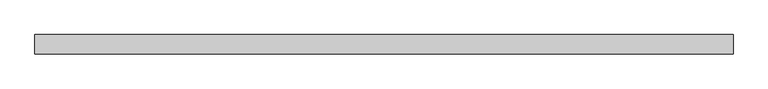
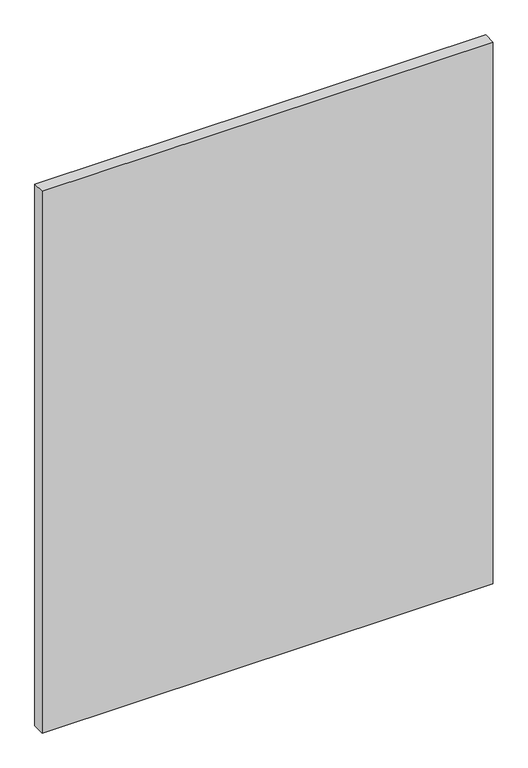
"""IFC4 building model written with IfcOpenShell, lengths in millimetres: plate geometry."""

from ifc_helpers import new_model, si_unit, origin, origin_with_axes, place, context, project, spatial, polyline, outline, extrude, source, transform, mapped, element, save


def plate_07b93995(model_context):
    return source(origin(), model_context, "Body", "SweptSolid", [
        extrude(outline(polyline([(693.9564453, -19.05), (-693.9564453, -19.05), (-693.9564453, 19.05), (693.9564453, 19.05), (693.9564453, -19.05)])), origin_with_axes(), (0.0, 0.0, 1.0), 1761.3),
    ])


if __name__ == "__main__":
    model = new_model("IFC4")
    model_context = context("Model", 3, world=origin())
    ifc_project = project(units=[si_unit("LENGTHUNIT", "METRE", prefix="MILLI")], contexts=[model_context])
    site = spatial("IfcSite", under=ifc_project)
    building = spatial("IfcBuilding", under=site)
    placement = place(None, origin())
    plate_shape = plate_07b93995(model_context)
    element("IfcPlate", 1, at=placement, inside=building, context=model_context, shape_type="MappedRepresentation", body=[
        mapped(plate_shape, transform((0.0, 0.0, 0.0), x_axis=(1.0, 0.0, 0.0), y_axis=(0.0, 1.0, 0.0), z_axis=(0.0, 0.0, 1.0))),
    ])
    save(model, "model.ifc")
